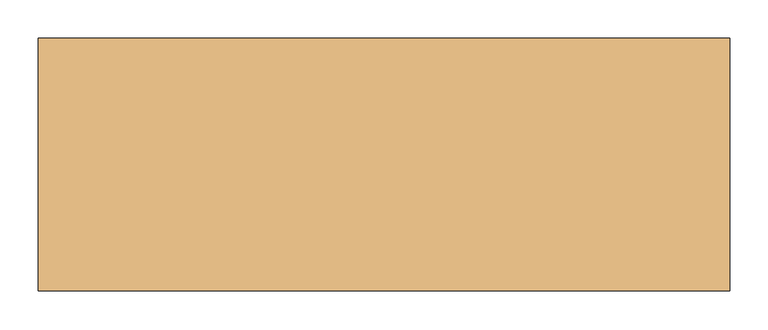
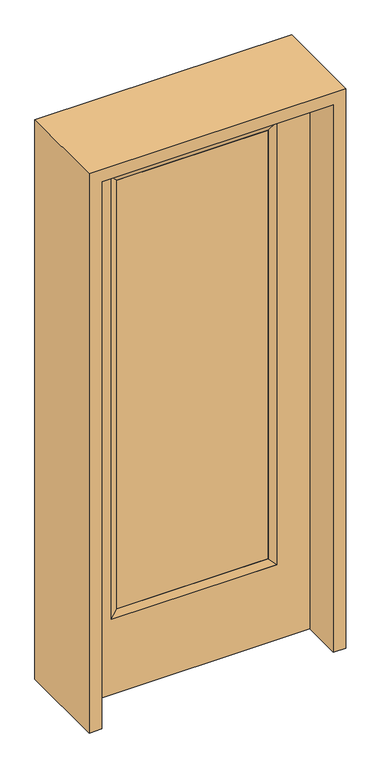
"""IFC4 building model written with IfcOpenShell, lengths in millimetres: door geometry."""

from ifc_helpers import new_model, si_unit, frame, origin, place, context, project, spatial, polyline, outline, extrude, faceted_brep, source, transform, mapped, element, save


def door_20f03df2(model_context):
    return source(origin(), model_context, "Body", "SolidModel", [
        extrude(outline(polyline([(265.5824, -12.7039749), (-265.5824, -12.7039749), (-265.5824, 14.2875), (265.5824, 14.2875), (265.5824, -12.7039749)])), frame((0.0, 0.0, 304.8), z_axis=(0.0, 0.0, 1.0), x_axis=(1.0, 0.0, 0.0)), (0.0, 0.0, 1.0), 1591.1576),
        faceted_brep([(265.5824, 14.2875, 1895.9576), (290.9824, 22.225, 1921.3576), (290.9824, 22.225, 279.4), (265.5824, 14.2875, 304.8), (290.9824, -22.225, 1921.3576), (290.9824, -22.225, 279.4), (-290.9824, 22.225, 279.4), (-265.5824, 14.2875, 304.8), (265.5824, -12.7039749, 1895.9576), (265.5824, -12.7039749, 304.8), (-265.5824, -12.7039749, 304.8), (-290.9824, -22.225, 279.4), (-290.9824, 22.225, 1921.3576), (-265.5824, 14.2875, 1895.9576), (-265.5824, -12.7039749, 1895.9576), (-290.9824, -22.225, 1921.3576)], [[[0, 1, 2, 3]], [[1, 4, 5, 2]], [[3, 2, 6, 7]], [[8, 0, 3, 9]], [[9, 3, 7, 10]], [[4, 8, 9, 5]], [[5, 9, 10, 11]], [[2, 5, 11, 6]], [[7, 6, 12, 13]], [[10, 7, 13, 14]], [[11, 10, 14, 15]], [[6, 11, 15, 12]], [[13, 12, 1, 0]], [[14, 13, 0, 8]], [[15, 14, 8, 4]], [[12, 15, 4, 1]]]),
        extrude(outline(polyline([(0.0, -406.4), (0.0, 406.4), (2032.0, 406.4), (2032.0, -406.4), (0.0, -406.4)]), holes=[polyline([(279.4, -290.9824), (1921.3576, -290.9824), (1921.3576, 290.9824), (279.4, 290.9824), (279.4, -290.9824)])]), frame((0.0, -22.225, 0.0), z_axis=(0.0, 1.0, 0.0), x_axis=(0.0, 0.0, 1.0)), (0.0, 0.0, 1.0), 44.45),
        extrude(outline(polyline([(2076.45, -450.85), (0.0, -450.85), (0.0, -406.4), (2032.0, -406.4), (2032.0, 406.4), (0.0, 406.4), (0.0, 450.85), (2076.45, 450.85), (2076.45, -450.85)])), frame((0.0, -165.1, 0.0), z_axis=(0.0, 1.0, 0.0), x_axis=(0.0, 0.0, 1.0)), (0.0, 0.0, 1.0), 330.2),
    ])


if __name__ == "__main__":
    model = new_model("IFC4")
    model_context = context("Model", 3, world=origin())
    ifc_project = project(units=[si_unit("LENGTHUNIT", "METRE", prefix="MILLI")], contexts=[model_context])
    site = spatial("IfcSite", under=ifc_project)
    building = spatial("IfcBuilding", under=site)
    placement = place(None, origin())
    door_shape = door_20f03df2(model_context)
    element("IfcDoor", 1, at=placement, inside=building, context=model_context, shape_type="MappedRepresentation", body=[
        mapped(door_shape, transform((0.0, 0.0, 0.0), x_axis=(1.0, 0.0, 0.0), y_axis=(0.0, 1.0, 0.0), z_axis=(0.0, 0.0, 1.0))),
    ])
    save(model, "model.ifc")
